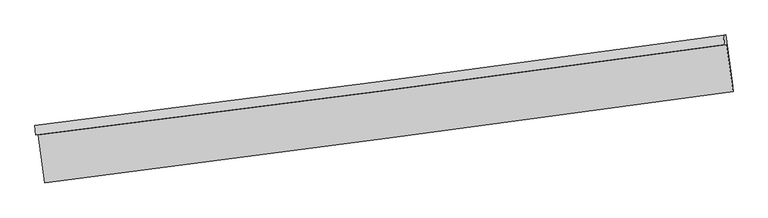
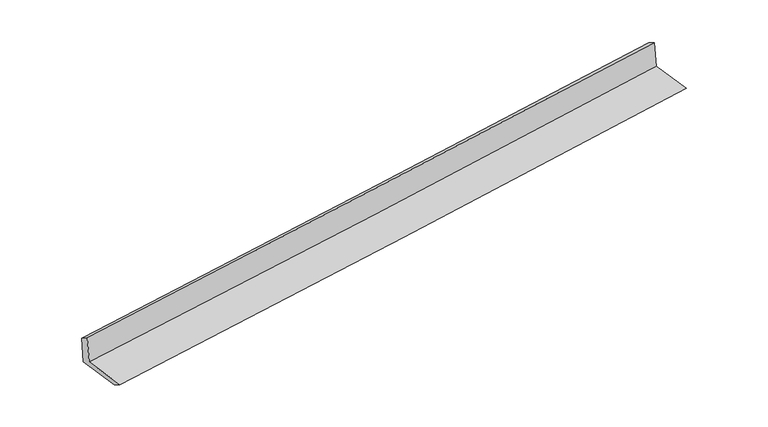
"""IFC4 building model written with IfcOpenShell, lengths in millimetres: proxy geometry."""

from ifc_helpers import new_model, si_unit, frame, origin, place, context, project, spatial, source, transform, mapped, element, save
from ifc_brep_helpers import plane_surface, spline_curve, spline_surface, advanced_brep


def generic_models_f2a966d6(model_context):
    return source(origin(), model_context, "Body", "AdvancedBrep", [
        advanced_brep(
        [(-4777.647037, -2116.9704177, 1895.9282642), (-4745.2483213, -2112.8390038, 1491.6204489), (4701.1453135, -872.0542211, 2246.2258077), (4669.1459658, -876.1347085, 2645.5498582), (-4788.9949896, -1983.9052807, 1814.0960699), (4657.7980132, -743.0695715, 2563.7176639), (-4757.3840007, -1979.874316, 1419.6183998), (4689.0096342, -739.0895333, 2174.2237586), (-4667.1609318, -2646.4087379, 1420.0373429), (4777.2206313, -1390.7595185, 2174.6333588), (-4655.8910184, -2772.9774694, 1492.0353719), (4788.4905447, -1517.32825, 2246.6313878)],
        [
            (0, 1),
            (1, 2, spline_curve(3, [(-4745.2483213, -2112.8390038, 1491.6204489), (-3167.771680694, -1918.421184826, 1612.490225085), (-1591.325475905, -1717.742629688, 1735.851170079), (1557.469739944, -1304.13152742, 1987.392725757), (3129.821413489, -1091.215155375, 2115.566900458), (4701.1453135, -872.0542211, 2246.2258077)], [4, 2, 4], [0.0, 15.688370986310225, 31.3564637923457])),
            (2, 3),
            (3, 0, spline_curve(3, [(4669.1459658, -876.1347085, 2645.5498582), (3096.824205173, -1095.422888057, 2527.343383935), (1523.940040886, -1308.407161963, 2405.814228616), (-1624.989502917, -1722.035393223, 2155.948970679), (-3201.036339563, -1922.663021848, 2027.604260918), (-4777.647037, -2116.9704177, 1895.9282642)], [4, 2, 4], [0.0, 15.668092806035474, 31.3564637923457])),
            (4, 0),
            (3, 5),
            (5, 4, spline_curve(3, [(4657.7980132, -743.0695715, 2563.7176639), (3085.476252975, -962.357750769, 2445.511189449), (1512.592088267, -1175.342024858, 2323.982034431), (-1636.337455498, -1588.970256328, 2074.116776264), (-3212.384292319, -1789.597884916, 1945.772066161), (-4788.9949896, -1983.9052807, 1814.0960699)], [4, 2, 4], [0.0, 15.668134504900763, 31.35654724404437])),
            (6, 4),
            (5, 7),
            (7, 6, spline_curve(3, [(4689.0096342, -739.0895333, 2174.2237586), (3117.685734189, -958.250467575, 2043.564851358), (1545.334060544, -1171.16683962, 1915.390676557), (-1603.461155305, -1584.777941888, 1663.849120879), (-3179.907360094, -1785.456497026, 1540.488175985), (-4757.3840007, -1979.874316, 1419.6183998)], [4, 2, 4], [0.0, 15.668092806035471, 31.356463792345693])),
            (8, 6),
            (7, 9),
            (9, 8, spline_curve(3, [(4777.2206313, -1390.7595185, 2174.6333588), (3205.562036034, -1607.447849146, 2043.972897489), (1633.210362404, -1820.364220976, 1915.798722448), (-1514.915029791, -2238.923731061, 1664.260277399), (-3090.690544028, -2444.557098478, 1540.902446735), (-4667.1609318, -2646.4087379, 1420.0373429)], [4, 2, 4], [0.0, 15.668016563665322, 31.356311208929917])),
            (10, 8),
            (9, 11),
            (11, 10, spline_curve(3, [(4788.4905447, -1517.32825, 2246.6313878), (3216.831949518, -1734.016580518, 2115.970926196), (1644.480275919, -1946.932952429, 1987.796751578), (-1503.645116507, -2365.492462608, 1736.258306469), (-3079.420630841, -2571.12582972, 1612.900476049), (-4655.8910184, -2772.9774694, 1492.0353719)], [4, 2, 4], [0.0, 15.667959796204546, 31.35619760053798])),
            (1, 10),
            (11, 2),
        ],
        [
            spline_surface(3, 3, [[(-4777.647037, -2116.9704177, 1895.9282642), (-3201.036339777, -1922.663021996, 2027.604260693), (-1624.989503131, -1722.035393131, 2155.948970424), (1523.9400411, -1308.407162054, 2405.814228871), (3096.824205379, -1095.422887838, 2527.343383809), (4669.1459658, -876.1347085, 2645.5498582)], [(-4766.847465096, -2115.593279723, 1761.15899245), (-3189.948120097, -1921.24907628, 1889.232915561), (-1613.768160805, -1720.604471905, 2015.916370354), (1535.116607419, -1306.981950567, 2266.340394457), (3107.823274835, -1094.020310366, 2390.08455598), (4679.812415057, -874.774546034, 2512.441841389)], [(-4756.047893204, -2114.216141777, 1626.38972065), (-3178.85990043, -1919.835130597, 1750.861570379), (-1602.546818412, -1719.17355071, 1875.883770279), (1546.293173805, -1305.556739111, 2126.86656004), (3118.822344221, -1092.617732892, 2252.825728086), (4690.478864243, -873.414383566, 2379.333824511)], [(-4745.2483213, -2112.8390038, 1491.6204489), (-3167.77168075, -1918.421184881, 1612.490225247), (-1591.325476086, -1717.742629484, 1735.851170209), (1557.469740124, -1304.131527624, 1987.392725627), (3129.821413677, -1091.21515542, 2115.566900257), (4701.1453135, -872.0542211, 2246.2258077)]], [4, 4], [4, 2, 4], [0.0, 1.3800082621811354], [0.0, 15.688370986310225, 31.3564637923457]),
            spline_surface(3, 3, [[(-4788.9949896, -1983.9052807, 1814.0960699), (-3212.384292377, -1789.597884996, 1945.772066393), (-1636.337455731, -1588.970256131, 2074.116776124), (1512.5920885, -1175.342025054, 2323.982034571), (3085.476252779, -962.357750838, 2445.511189509), (4657.7980132, -743.0695715, 2563.7176639)], [(-4785.212338732, -2028.260326367, 1841.373467998), (-3208.601641509, -1833.952930662, 1973.049464491), (-1632.554804863, -1633.325301798, 2101.394174222), (1516.374739368, -1219.697070721, 2351.259432669), (3089.258903647, -1006.712796505, 2472.788587607), (4661.580664068, -787.424617167, 2590.995061998)], [(-4781.429687868, -2072.615372033, 1868.650866102), (-3204.818990645, -1878.307976329, 2000.326862595), (-1628.772154, -1677.680347465, 2128.671572326), (1520.157390232, -1264.052116387, 2378.536830772), (3093.041554511, -1051.067842171, 2500.065985711), (4665.363314932, -831.779662833, 2618.272460102)], [(-4777.647037, -2116.9704177, 1895.9282642), (-3201.036339777, -1922.663021996, 2027.604260693), (-1624.989503131, -1722.035393131, 2155.948970424), (1523.9400411, -1308.407162054, 2405.814228871), (3096.824205379, -1095.422887838, 2527.343383809), (4669.1459658, -876.1347085, 2645.5498582)]], [4, 4], [4, 2, 4], [0.0, 0.513863895792934], [0.0, 15.688412739143608, 31.35654724404437]),
            spline_surface(3, 3, [[(-4757.3840007, -1979.874316, 1419.6183998), (-3179.90736015, -1785.456497081, 1540.488176147), (-1603.461155486, -1584.777941684, 1663.849121009), (1545.334060724, -1171.166839824, 1915.390676427), (3117.685734377, -958.25046762, 2043.564851157), (4689.0096342, -739.0895333, 2174.2237586)], [(-4767.920997023, -1981.217970909, 1551.110956496), (-3190.733004248, -1786.836959728, 1675.582806225), (-1614.419922231, -1586.175379842, 1800.605006025), (1534.420069986, -1172.558568243, 2051.587795786), (3106.949240502, -959.619562024, 2177.546963931), (4678.605760524, -740.416212698, 2304.055060357)], [(-4778.457993277, -1982.561625791, 1682.603513204), (-3201.558648278, -1788.217422349, 1810.677436315), (-1625.378688987, -1587.572817973, 1937.360891108), (1523.506079238, -1173.950296635, 2187.784915212), (3096.212746654, -960.988656434, 2311.529076734), (4668.201886876, -741.742892102, 2433.886362143)], [(-4788.9949896, -1983.9052807, 1814.0960699), (-3212.384292377, -1789.597884996, 1945.772066393), (-1636.337455731, -1588.970256131, 2074.116776124), (1512.5920885, -1175.342025054, 2323.982034571), (3085.476252779, -962.357750838, 2445.511189509), (4657.7980132, -743.0695715, 2563.7176639)]], [4, 4], [4, 2, 4], [0.0, 1.347652068000695], [0.0, 15.688370986310222, 31.356463792345693]),
            spline_surface(3, 3, [[(-4667.1609318, -2646.4087379, 1420.0373429), (-3090.690544008, -2444.557098472, 1540.902446799), (-1514.915029956, -2238.923730873, 1664.260277349), (1633.210362569, -1820.364221163, 1915.798722498), (3205.562036222, -1607.447848958, 2043.972897228), (4777.2206313, -1390.7595185, 2174.6333588)], [(-4697.235288098, -2424.230597259, 1419.897695205), (-3120.42948272, -2224.856898, 1540.764356587), (-1544.430405138, -2020.875134485, 1664.123225235), (1603.918261949, -1603.965094058, 1915.662707141), (3176.269935602, -1391.048721854, 2043.836881871), (4747.816965595, -1173.536190108, 2174.4968254)], [(-4727.309644402, -2202.052456641, 1419.758047495), (-3150.168421438, -2005.156697553, 1540.626266359), (-1573.945780304, -1802.826538072, 1663.986173123), (1574.626161344, -1387.565966929, 1915.526691784), (3146.977834997, -1174.649594724, 2043.700866514), (4718.413299905, -956.312861692, 2174.360292)], [(-4757.3840007, -1979.874316, 1419.6183998), (-3179.90736015, -1785.456497081, 1540.488176147), (-1603.461155486, -1584.777941684, 1663.849121009), (1545.334060724, -1171.166839824, 1915.390676427), (3117.685734377, -958.25046762, 2043.564851157), (4689.0096342, -739.0895333, 2174.2237586)]], [4, 4], [4, 2, 4], [0.0, 2.157539516011269], [0.0, 15.688294645264595, 31.356311208929917]),
            spline_surface(3, 3, [[(-4655.8910184, -2772.9774694, 1492.0353719), (-3079.420630608, -2571.125829972, 1612.900475799), (-1503.645116556, -2365.492462373, 1736.258306449), (1644.480275969, -1946.932952663, 1987.796751598), (3216.831949622, -1734.016580458, 2115.970926228), (4788.4905447, -1517.32825, 2246.6313878)], [(-4659.647656201, -2730.787892223, 1468.036028893), (-3083.177268409, -2528.936252795, 1588.901132791), (-1507.401754358, -2323.302885197, 1712.258963442), (1640.723638167, -1904.743375486, 1963.797408591), (3213.07531182, -1691.827003281, 2091.971583221), (4784.733906899, -1475.138672823, 2222.632044793)], [(-4663.404293999, -2688.598315077, 1444.036685907), (-3086.933906206, -2486.746675649, 1564.901789806), (-1511.158392155, -2281.11330805, 1688.259620357), (1636.96700037, -1862.55379834, 1939.798065506), (3209.318674023, -1649.637426135, 2067.972240236), (4780.977269101, -1432.949095677, 2198.632701807)], [(-4667.1609318, -2646.4087379, 1420.0373429), (-3090.690544008, -2444.557098472, 1540.902446799), (-1514.915029956, -2238.923730873, 1664.260277349), (1633.210362569, -1820.364221163, 1915.798722498), (3205.562036222, -1607.447848958, 2043.972897228), (4777.2206313, -1390.7595185, 2174.6333588)]], [4, 4], [4, 2, 4], [0.0, 0.4791640657156059], [0.0, 15.688237804333433, 31.35619760053798]),
            spline_surface(3, 3, [[(-4745.2483213, -2112.8390038, 1491.6204489), (-3167.77168075, -1918.421184881, 1612.490225247), (-1591.325476086, -1717.742629484, 1735.851170209), (1557.469740124, -1304.131527624, 1987.392725627), (3129.821413677, -1091.21515542, 2115.566900257), (4701.1453135, -872.0542211, 2246.2258077)], [(-4715.462553649, -2332.88515902, 1491.758756558), (-3138.321330685, -2135.989399931, 1612.626975422), (-1562.098689552, -1933.659240451, 1735.986882286), (1586.473252096, -1518.398669307, 1987.527400948), (3158.824925649, -1305.482297103, 2115.701575578), (4730.260390557, -1087.14556407, 2246.361001064)], [(-4685.676786051, -2552.93131418, 1491.897064242), (-3108.870980672, -2353.557614922, 1612.763725624), (-1532.87190309, -2149.575851407, 1736.122594372), (1615.476763997, -1732.66581098, 1987.662076277), (3187.82843765, -1519.749438775, 2115.836250907), (4759.375467643, -1302.23690703, 2246.496194436)], [(-4655.8910184, -2772.9774694, 1492.0353719), (-3079.420630608, -2571.125829972, 1612.900475799), (-1503.645116556, -2365.492462373, 1736.258306449), (1644.480275969, -1946.932952663, 1987.796751598), (3216.831949622, -1734.016580458, 2115.970926228), (4788.4905447, -1517.32825, 2246.6313878)]], [4, 4], [4, 2, 4], [0.0, 2.1363640330448366], [0.0, 15.688294645264602, 31.35631120892993]),
            plane_surface(frame((4713.8016838, -1023.0726338, 2341.8303058), z_axis=(0.9877384142812714, 0.13375231723097106, 0.08051796438351863), x_axis=(-0.13413811868001285, 0.990962449926251, -0.0006228588518263788))),
            plane_surface(frame((-4732.0543831, -2268.8292042, 1588.8893162), z_axis=(-0.9877384142812368, -0.13375231723122458, -0.08051796438352023), x_axis=(-0.07987358806330784, -0.0101853066477237, 0.9967529631048934))),
        ],
        [
            (0, [[1, 2, 3, 4]]),
            (1, [[5, -4, 6, 7]]),
            (2, [[8, -7, 9, 10]]),
            (3, [[11, -10, 12, 13]]),
            (4, [[14, -13, 15, 16]]),
            (5, [[17, -16, 18, -2]]),
            (6, [[-12, -9, -6, -3, -18, -15]]),
            (7, [[-1, -5, -8, -11, -14, -17]]),
        ],
    ),
    ])


if __name__ == "__main__":
    model = new_model("IFC4")
    model_context = context("Model", 3, world=origin())
    ifc_project = project(units=[si_unit("LENGTHUNIT", "METRE", prefix="MILLI")], contexts=[model_context])
    site = spatial("IfcSite", under=ifc_project)
    building = spatial("IfcBuilding", under=site)
    placement = place(None, origin())
    generic_models_shape = generic_models_f2a966d6(model_context)
    element("IfcBuildingElementProxy", 1, Name="Generic Models", at=placement, inside=building, context=model_context, shape_type="MappedRepresentation", body=[
        mapped(generic_models_shape, transform((0.0, 0.0, 0.0), x_axis=(1.0, 0.0, 0.0), y_axis=(0.0, 1.0, 0.0), z_axis=(0.0, 0.0, 1.0))),
    ])
    save(model, "model.ifc")
